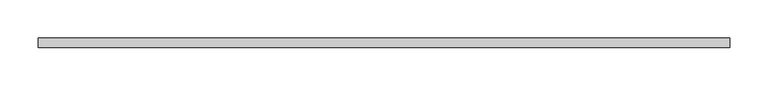
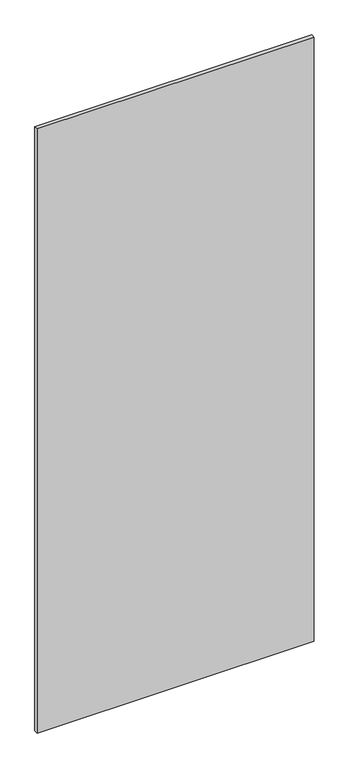
"""IFC4 building model written with IfcOpenShell, lengths in millimetres: plate geometry."""

import ifcopenshell
import ifcopenshell.guid

model = None  # the IFC model being written
_history = None  # IfcOwnerHistory: only IFC2X3 demands one
_inside = {}  # id of a spatial element -> (the spatial element, [elements in it])
_under = {}  # id of a project, library or spatial element -> (it, [spatial elements below it])
_declared = {}  # id of a project -> (the project, [libraries it declares])
_typed = {}  # id of a type object -> (the type object, [elements of that type])
_made_of = {}  # id of a material, layer set ... -> (it, [elements and type objects made of it])


def new_model(schema):
    """Start an empty IFC model of exactly this schema.

    Asked for "IFC4X3", IfcOpenShell would pick the latest addendum, in which some entities
    have other attributes; the version numbers below select the first issue.
    IFC2X3 requires an IfcOwnerHistory on every rooted entity: one is made here for all.
    """
    global model, _history
    if schema == "IFC4X3":
        model = ifcopenshell.file(schema_version=(4, 3, 0, 0))
    else:
        model = ifcopenshell.file(schema=schema)
    _inside.clear()
    _under.clear()
    _declared.clear()
    _typed.clear()
    _made_of.clear()
    _history = None
    if model.schema == "IFC2X3":
        org = make("IfcOrganization", Name="unknown")
        user = make(
            "IfcPersonAndOrganization",
            ThePerson=make("IfcPerson", FamilyName="unknown"),
            TheOrganization=org,
        )
        app = make(
            "IfcApplication",
            ApplicationDeveloper=org,
            Version="unknown",
            ApplicationFullName="unknown",
            ApplicationIdentifier="unknown",
        )
        _history = make(
            "IfcOwnerHistory",
            OwningUser=user,
            OwningApplication=app,
            ChangeAction="ADDED",
            CreationDate=0,
        )
    return model


def make(cls, **values):
    """One entity of the class cls with the attributes given. An attribute that is None is left unset."""
    return model.create_entity(
        cls, **{name: value for name, value in values.items() if value is not None}
    )


def rooted(cls, **values):
    """An entity with a GlobalId (a new one), such as an element, a storey or a relation."""
    return make(cls, GlobalId=ifcopenshell.guid.new(), OwnerHistory=_history, **values)


def si_unit(unit_type, name, prefix=None):
    """IfcSIUnit, for example si_unit("LENGTHUNIT", "METRE", prefix="MILLI")."""
    return make("IfcSIUnit", UnitType=unit_type, Prefix=prefix, Name=name)


def assignment(units):
    """IfcUnitAssignment: the units of a project."""
    return None if units is None else make("IfcUnitAssignment", Units=units)


def point(xyz):
    """IfcCartesianPoint."""
    return None if xyz is None else make("IfcCartesianPoint", Coordinates=xyz)


def direction(xyz):
    """IfcDirection."""
    return None if xyz is None else make("IfcDirection", DirectionRatios=xyz)


def frame(location, z_axis=None, x_axis=None):
    """IfcAxis2Placement3D, a coordinate frame: its origin and axes. An axis left out is left unset."""
    return make(
        "IfcAxis2Placement3D",
        Location=point(location),
        Axis=direction(z_axis),
        RefDirection=direction(x_axis),
    )


def origin():
    """The frame at (0, 0, 0) with its axes left unset."""
    return frame((0.0, 0.0, 0.0))


def place(relative_to, where):
    """IfcLocalPlacement: puts the frame where relative to a parent placement (None: the world)."""
    return make(
        "IfcLocalPlacement", PlacementRelTo=relative_to, RelativePlacement=where
    )


def context(
    kind, dimensions, precision=None, world=None, true_north=None, identifier=None
):
    """IfcGeometricRepresentationContext, for example the 3D "Model" context."""
    return make(
        "IfcGeometricRepresentationContext",
        ContextIdentifier=identifier,
        ContextType=kind,
        CoordinateSpaceDimension=dimensions,
        Precision=precision,
        WorldCoordinateSystem=world,
        TrueNorth=true_north,
    )


def project(units=None, contexts=None):
    """IfcProject with its units and contexts."""
    return rooted(
        "IfcProject",
        Name="project",
        RepresentationContexts=contexts,
        UnitsInContext=assignment(units),
    )


def spatial(cls, under=None, at=None, **own):
    """A site, building, storey or space (cls), placed at a placement, below another one or the project."""
    s = rooted(cls, ObjectPlacement=at, **own)
    if under is not None:
        _under.setdefault(under.id(), (under, []))[1].append(s)
    return s


def polyline(points):
    """IfcPolyline through the points."""
    return make("IfcPolyline", Points=[point(p) for p in points])


def outline(outer, holes=None, kind="AREA"):
    """IfcArbitraryClosedProfileDef: a profile drawn as a closed curve; with holes, ...WithVoids."""
    if holes is None:
        return make("IfcArbitraryClosedProfileDef", ProfileType=kind, OuterCurve=outer)
    return make(
        "IfcArbitraryProfileDefWithVoids",
        ProfileType=kind,
        OuterCurve=outer,
        InnerCurves=holes,
    )


def extrude(swept, where, along, depth):
    """IfcExtrudedAreaSolid: the profile swept, set in the frame where, extruded along a direction by depth."""
    return make(
        "IfcExtrudedAreaSolid",
        SweptArea=swept,
        Position=where,
        ExtrudedDirection=direction(along),
        Depth=depth,
    )


def shape(context_of_items, identifier, shape_type, items):
    """IfcShapeRepresentation: the items that make up one representation, for example the "Body"."""
    return make(
        "IfcShapeRepresentation",
        ContextOfItems=context_of_items,
        RepresentationIdentifier=identifier,
        RepresentationType=shape_type,
        Items=items,
    )


def source(mapping_origin, context_of_items, identifier, shape_type, items):
    """IfcRepresentationMap: a shape defined once, which mapped items show again and again."""
    return make(
        "IfcRepresentationMap",
        MappingOrigin=mapping_origin,
        MappedRepresentation=shape(context_of_items, identifier, shape_type, items),
    )


def transform(
    local_origin,
    x_axis=None,
    y_axis=None,
    z_axis=None,
    scale=None,
    scale2=None,
    scale3=None,
    uniform=True,
):
    """IfcCartesianTransformationOperator3D, or its non-uniform kind. x_axis, y_axis, z_axis: its Axis1, 2, 3."""
    if uniform:
        return make(
            "IfcCartesianTransformationOperator3D",
            Axis1=direction(x_axis),
            Axis2=direction(y_axis),
            LocalOrigin=point(local_origin),
            Scale=scale,
            Axis3=direction(z_axis),
        )
    return make(
        "IfcCartesianTransformationOperator3DnonUniform",
        Axis1=direction(x_axis),
        Axis2=direction(y_axis),
        LocalOrigin=point(local_origin),
        Scale=scale,
        Axis3=direction(z_axis),
        Scale2=scale2,
        Scale3=scale3,
    )


def mapped(mapping_source, mapping_target):
    """IfcMappedItem: shows the shape of a source again, moved by a transform."""
    return make(
        "IfcMappedItem", MappingSource=mapping_source, MappingTarget=mapping_target
    )


def made_of(thing, what):
    """Note that an element or type object is made of a material, layer set ...; save() writes the relation."""
    if what is not None:
        _made_of.setdefault(what.id(), (what, []))[1].append(thing)
    return thing


def element(
    cls,
    number,
    at=None,
    inside=None,
    cuts=None,
    type_object=None,
    material=None,
    context=None,
    identifier="Body",
    shape_type=None,
    held_by="IfcProductDefinitionShape",
    body=None,
    shapes=None,
    **own,
):
    """One element of the class cls, such as IfcWall. Its Tag is "e" and its number.

    at: its placement. inside: the storey or other place that contains it. cuts: it is an
    opening in that element (IfcRelVoidsElement). A single representation is given by context,
    identifier, shape_type and body (its items); several are given by shapes. held_by: the class
    of the entity that holds the representations. save() writes the other relations.
    """
    e = rooted(cls, Tag="e%d" % number, ObjectPlacement=at, **own)
    if body is not None:
        shapes = [shape(context, identifier, shape_type, body)]
    if shapes is not None:
        e.Representation = make(held_by, Representations=shapes)
    if inside is not None:
        _inside.setdefault(inside.id(), (inside, []))[1].append(e)
    if cuts is not None:
        rooted(
            "IfcRelVoidsElement", RelatingBuildingElement=cuts, RelatedOpeningElement=e
        )
    if type_object is not None:
        _typed.setdefault(type_object.id(), (type_object, []))[1].append(e)
    return made_of(e, material)


def aggregate(whole, parts):
    """IfcRelAggregates: a whole, such as a stair, and the parts it consists of."""
    return rooted("IfcRelAggregates", RelatingObject=whole, RelatedObjects=parts)


def save(model, path):
    """Write the relations noted so far, then the file.

    IfcRelAggregates (storeys below a building ...), IfcRelContainedInSpatialStructure (elements
    in a storey), IfcRelDefinesByType, IfcRelAssociatesMaterial and IfcRelDeclares: one each for
    every whole, place, type object, material and project.
    """
    for whole, parts in _under.values():
        aggregate(whole, parts)
    for where, things in _inside.values():
        rooted(
            "IfcRelContainedInSpatialStructure",
            RelatedElements=things,
            RelatingStructure=where,
        )
    for kind, things in _typed.values():
        rooted("IfcRelDefinesByType", RelatedObjects=things, RelatingType=kind)
    for what, things in _made_of.values():
        rooted("IfcRelAssociatesMaterial", RelatedObjects=things, RelatingMaterial=what)
    for by, libraries in _declared.values():
        rooted("IfcRelDeclares", RelatingContext=by, RelatedDefinitions=libraries)
    model.write(path)


def plate_9569e865(model_context):
    return source(origin(), model_context, "Body", "SweptSolid", [
        extrude(outline(polyline([(451.0, 6.0), (451.0, -6.0), (-451.0, -6.0), (-451.0, 6.0), (451.0, 6.0)])), frame((0.0, 0.0, 13.0), z_axis=(0.0, 0.0, 1.0), x_axis=(1.0, 0.0, 0.0)), (0.0, 0.0, 1.0), 2079.0),
    ])


if __name__ == "__main__":
    model = new_model("IFC4")
    model_context = context("Model", 3, world=origin())
    ifc_project = project(units=[si_unit("LENGTHUNIT", "METRE", prefix="MILLI")], contexts=[model_context])
    site = spatial("IfcSite", under=ifc_project)
    building = spatial("IfcBuilding", under=site)
    placement = place(None, origin())
    plate_shape = plate_9569e865(model_context)
    element("IfcPlate", 1, at=placement, inside=building, context=model_context, shape_type="MappedRepresentation", body=[
        mapped(plate_shape, transform((0.0, 0.0, 0.0), x_axis=(1.0, 0.0, 0.0), y_axis=(0.0, 1.0, 0.0), z_axis=(0.0, 0.0, 1.0))),
    ])
    save(model, "model.ifc")
